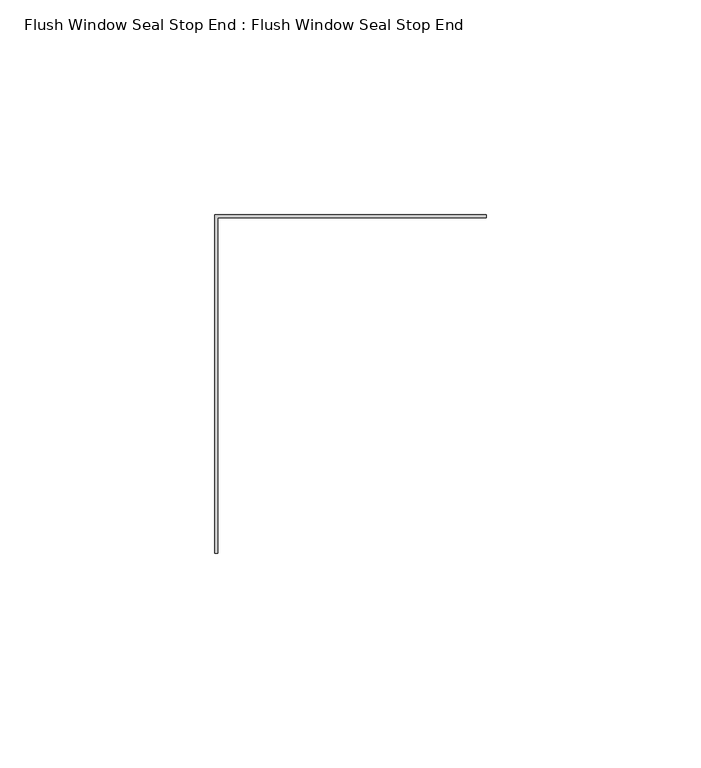
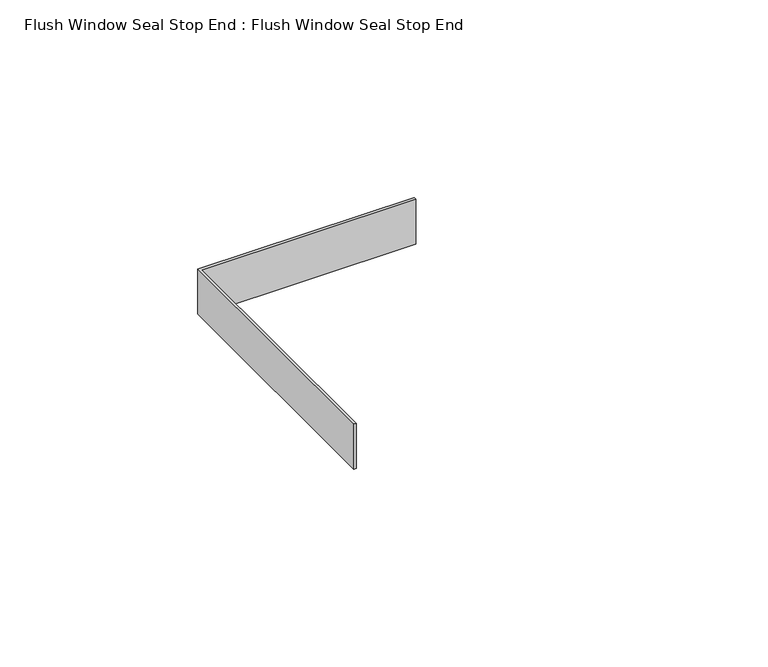
"""IFC4 building model written with IfcOpenShell, lengths in millimetres: proxy geometry, Flush Window Seal Stop End : Flush Window Seal Stop End."""

from ifc_helpers import new_model, si_unit, frame, origin, place, context, project, spatial, polyline, outline, extrude, source, transform, mapped, element, save


def flush_window_seal_stop_end_flush_window_seal_stop_end_b680fdff(model_context):
    return source(origin(), model_context, "Body", "SweptSolid", [
        extrude(outline(polyline([(12428.267633, 471.3615096), (12427.4791786, 471.3615096), (12427.4791786, 550.3594915), (12490.7910961, 550.3594915), (12490.7910961, 549.5710371), (12428.267633, 549.5710371), (12428.267633, 471.3615096)])), frame((0.0, 0.0, -885.662203), z_axis=(0.0, 0.0, 1.0), x_axis=(1.0, 0.0, 0.0)), (0.0, 0.0, 1.0), 13.937585),
    ])


if __name__ == "__main__":
    model = new_model("IFC4")
    model_context = context("Model", 3, world=origin())
    ifc_project = project(units=[si_unit("LENGTHUNIT", "METRE", prefix="MILLI")], contexts=[model_context])
    site = spatial("IfcSite", under=ifc_project)
    building = spatial("IfcBuilding", under=site)
    placement = place(None, origin())
    flush_window_seal_stop_end_flush_window_seal_stop_end_shape = flush_window_seal_stop_end_flush_window_seal_stop_end_b680fdff(model_context)
    element("IfcBuildingElementProxy", 1, Name="Flush Window Seal Stop End : Flush Window Seal Stop End", ObjectType="Flush Window Seal Stop End : Flush Window Seal Stop End", at=placement, inside=building, context=model_context, shape_type="MappedRepresentation", body=[
        mapped(flush_window_seal_stop_end_flush_window_seal_stop_end_shape, transform((0.0, 0.0, 0.0), x_axis=(1.0, 0.0, 0.0), y_axis=(0.0, 1.0, 0.0), z_axis=(0.0, 0.0, 1.0))),
    ])
    save(model, "model.ifc")
